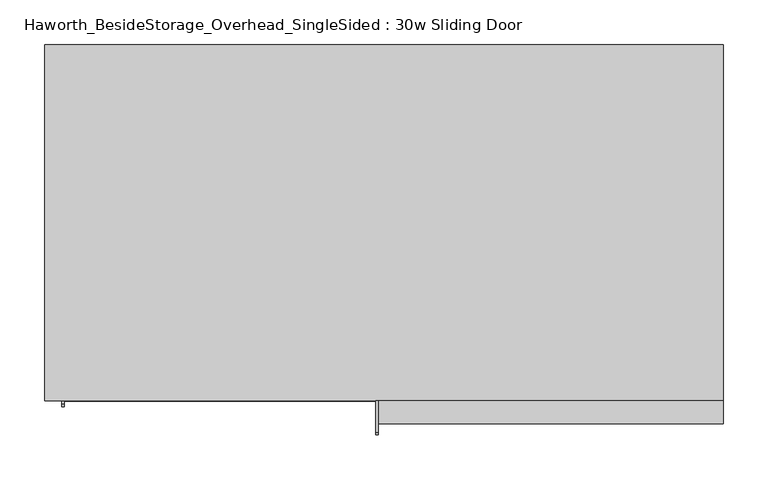
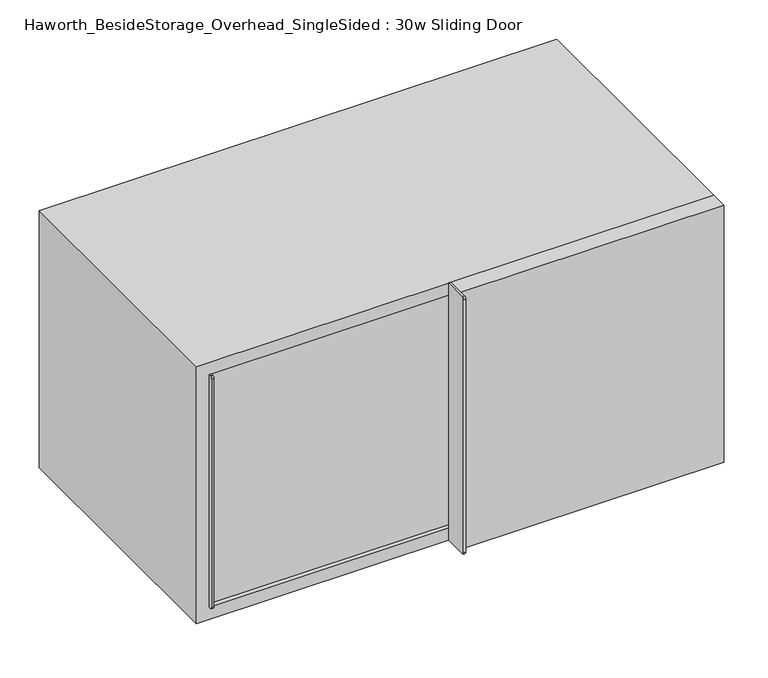
"""IFC4 building model written with IfcOpenShell, lengths in millimetres: furniture geometry, Haworth_BesideStorage_Overhead_SingleSided : 30w Sliding Door."""

from ifc_helpers import new_model, si_unit, point, frame, frame_2d, origin, place, context, project, spatial, polyline, circle_curve, trimmed, segment, composite_curve, outline, extrude, source, transform, mapped, element, save


def haworth_besidestorage_overhead_singlesided_30w_sliding_door_f42f438e(model_context):
    return source(origin(), model_context, "Body", "SweptSolid", [
        extrude(outline(composite_curve([segment(polyline([(-400.05, 1162.05), (-400.05, 762.0), (-434.975, 762.0)]), True, "CONTINUOUS"), segment(trimmed(circle_curve(frame_2d((-434.975, 765.175)), 3.175), [point((-434.975, 762.0))], [point((-438.15, 765.175))], False, "CARTESIAN"), True, "CONTINUOUS"), segment(polyline([(-438.15, 765.175), (-438.15, 1158.875)]), True, "CONTINUOUS"), segment(trimmed(circle_curve(frame_2d((-434.975, 1158.875)), 3.175), [point((-438.15, 1158.875))], [point((-434.975, 1162.05))], False, "CARTESIAN"), True, "CONTINUOUS"), segment(polyline([(-434.975, 1162.05), (-400.05, 1162.05)]), True, "CONTINUOUS")], self_intersect=False)), frame((155.575, 0.0, 0.0), z_axis=(1.0, 0.0, 0.0), x_axis=(0.0, 1.0, 0.0)), (0.0, 0.0, 1.0), 3.175),
        extrude(outline(polyline([(546.1, -400.05), (546.1, -425.45), (158.75, -425.45), (158.75, -400.05), (546.1, -400.05)])), frame((0.0, 0.0, 762.0), z_axis=(0.0, 0.0, 1.0), x_axis=(1.0, 0.0, 0.0)), (0.0, 0.0, 1.0), 400.05),
        extrude(outline(composite_curve([segment(polyline([(-368.3, 1143.0), (-368.3, 781.05), (-403.225, 781.05)]), True, "CONTINUOUS"), segment(trimmed(circle_curve(frame_2d((-403.225, 784.225)), 3.175), [point((-403.225, 781.05))], [point((-406.4, 784.225))], False, "CARTESIAN"), True, "CONTINUOUS"), segment(polyline([(-406.4, 784.225), (-406.4, 1139.825)]), True, "CONTINUOUS"), segment(trimmed(circle_curve(frame_2d((-403.225, 1139.825)), 3.175), [point((-406.4, 1139.825))], [point((-403.225, 1143.0))], False, "CARTESIAN"), True, "CONTINUOUS"), segment(polyline([(-403.225, 1143.0), (-368.3, 1143.0)]), True, "CONTINUOUS")], self_intersect=False)), frame((-196.85, 0.0, 0.0), z_axis=(1.0, 0.0, 0.0), x_axis=(0.0, 1.0, 0.0)), (0.0, 0.0, 1.0), 3.175),
        extrude(outline(polyline([(174.625, -368.3), (174.625, -393.7), (-193.675, -393.7), (-193.675, -368.3), (174.625, -368.3)])), frame((0.0, 0.0, 781.05), z_axis=(0.0, 0.0, 1.0), x_axis=(1.0, 0.0, 0.0)), (0.0, 0.0, 1.0), 361.95),
        extrude(outline(polyline([(174.625, -368.3), (155.575, -368.3), (155.575, -19.05), (174.625, -19.05), (174.625, -368.3)])), frame((0.0, 0.0, 781.05), z_axis=(0.0, 0.0, 1.0), x_axis=(1.0, 0.0, 0.0)), (0.0, 0.0, 1.0), 361.95),
        extrude(outline(polyline([(527.05, -19.05), (-196.85, -19.05), (-196.85, 0.0), (527.05, 0.0), (527.05, -19.05)])), frame((0.0, 0.0, 781.05), z_axis=(0.0, 0.0, 1.0), x_axis=(1.0, 0.0, 0.0)), (0.0, 0.0, 1.0), 361.95),
        extrude(outline(polyline([(762.0, 546.1), (1162.05, 546.1), (1162.05, -215.9), (762.0, -215.9), (762.0, 546.1)]), holes=[polyline([(1143.0, 527.05), (781.05, 527.05), (781.05, -196.85), (1143.0, -196.85), (1143.0, 527.05)])]), frame((0.0, -400.05, 0.0), z_axis=(0.0, 1.0, 0.0), x_axis=(0.0, 0.0, 1.0)), (0.0, 0.0, 1.0), 400.05),
    ])


if __name__ == "__main__":
    model = new_model("IFC4")
    model_context = context("Model", 3, world=origin())
    ifc_project = project(units=[si_unit("LENGTHUNIT", "METRE", prefix="MILLI")], contexts=[model_context])
    site = spatial("IfcSite", under=ifc_project)
    building = spatial("IfcBuilding", under=site)
    placement = place(None, origin())
    haworth_besidestorage_overhead_singlesided_30w_sliding_door_shape = haworth_besidestorage_overhead_singlesided_30w_sliding_door_f42f438e(model_context)
    element("IfcFurniture", 1, ObjectType="Haworth_BesideStorage_Overhead_SingleSided : 30w Sliding Door", at=placement, inside=building, context=model_context, shape_type="MappedRepresentation", body=[
        mapped(haworth_besidestorage_overhead_singlesided_30w_sliding_door_shape, transform((0.0, 0.0, 0.0), x_axis=(1.0, 0.0, 0.0), y_axis=(0.0, 1.0, 0.0), z_axis=(0.0, 0.0, 1.0))),
    ])
    save(model, "model.ifc")
